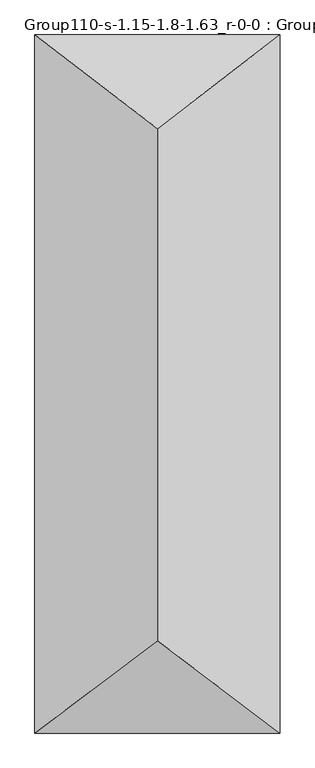
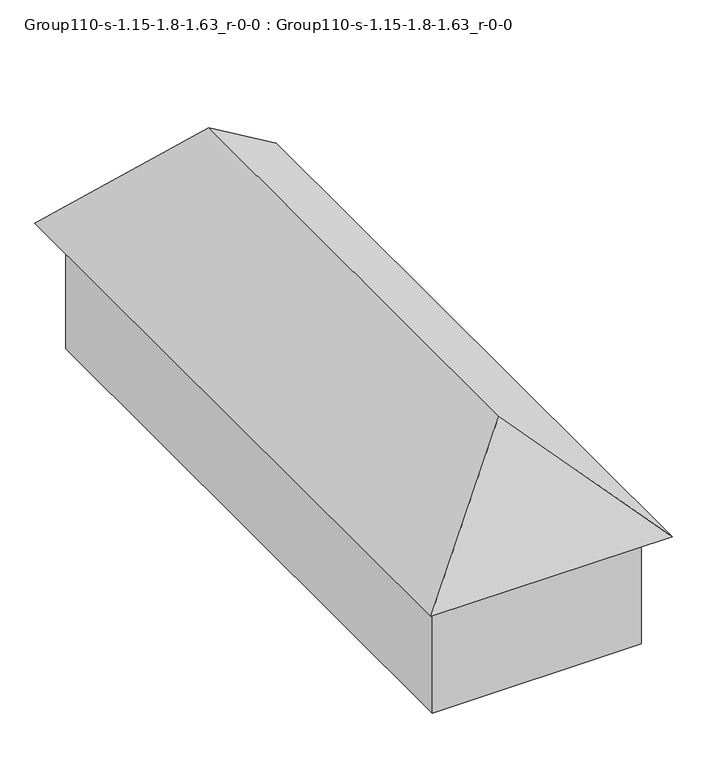
"""IFC4 building model written with IfcOpenShell, lengths in millimetres: geographic element geometry, Group110-s-1.15-1.8-1.63_r-0-0 : Group110-s-1.15-1.8-1.63_r-0-0."""

from ifc_helpers import new_model, si_unit, origin, place, context, project, spatial, triangles, source, transform, mapped, element, save


def group110_s_1_15_1_8_1_63_r_0_0_group110_s_1_15_1_8_1_63_r_0_a79b479a(model_context):
    return source(origin(), model_context, "Body", "Tessellation", [
        triangles([(6799.4774094, 19961.3001892, 3726.8783295), (489.5011897, 19961.3001892, 0.0), (489.5011897, 19961.3001892, 3726.8783295), (6799.4774094, 19961.3001892, 0.0), (6799.4774094, 770.1485579, 0.0), (489.5011897, 770.1485579, 3726.8783295), (489.5011897, 770.1485579, 0.0), (6799.4774094, 770.1485579, 3726.8783295), (7288.9783447, 20731.4485291, 3726.8783295), (0.0, 20731.4485291, 3726.8783295), (3644.4891724, 17951.4414734, 7189.1047897), (7288.9783447, 0.0, 3726.8783295), (3644.4891724, 2745.9114624, 7189.1047897), (0.0, 0.0, 3726.8783295)], [[1, 2, 3], [2, 1, 4], [5, 6, 7], [6, 5, 8], [5, 2, 4], [2, 5, 7], [6, 2, 7], [2, 6, 3], [1, 5, 4], [5, 1, 8], [6, 1, 3], [1, 6, 8], [9, 10, 11], [12, 13, 14], [12, 10, 9], [10, 12, 14], [11, 12, 9], [12, 11, 13], [14, 11, 10], [11, 14, 13]]),
    ])


if __name__ == "__main__":
    model = new_model("IFC4")
    model_context = context("Model", 3, world=origin())
    ifc_project = project(units=[si_unit("LENGTHUNIT", "METRE", prefix="MILLI")], contexts=[model_context])
    site = spatial("IfcSite", under=ifc_project)
    building = spatial("IfcBuilding", under=site)
    placement = place(None, origin())
    group110_s_1_15_1_8_1_63_r_0_0_group110_s_1_15_1_8_1_63_r_0_shape = group110_s_1_15_1_8_1_63_r_0_0_group110_s_1_15_1_8_1_63_r_0_a79b479a(model_context)
    element("IfcGeographicElement", 1, ObjectType="Group110-s-1.15-1.8-1.63_r-0-0 : Group110-s-1.15-1.8-1.63_r-0-0", at=placement, inside=building, context=model_context, shape_type="MappedRepresentation", body=[
        mapped(group110_s_1_15_1_8_1_63_r_0_0_group110_s_1_15_1_8_1_63_r_0_shape, transform((0.0, 0.0, 0.0), x_axis=(1.0, 0.0, 0.0), y_axis=(0.0, 1.0, 0.0), z_axis=(0.0, 0.0, 1.0))),
    ])
    save(model, "model.ifc")
